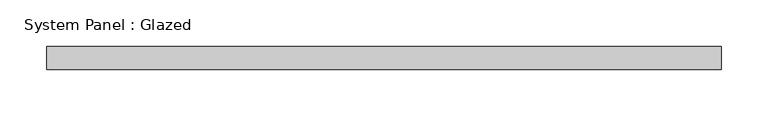
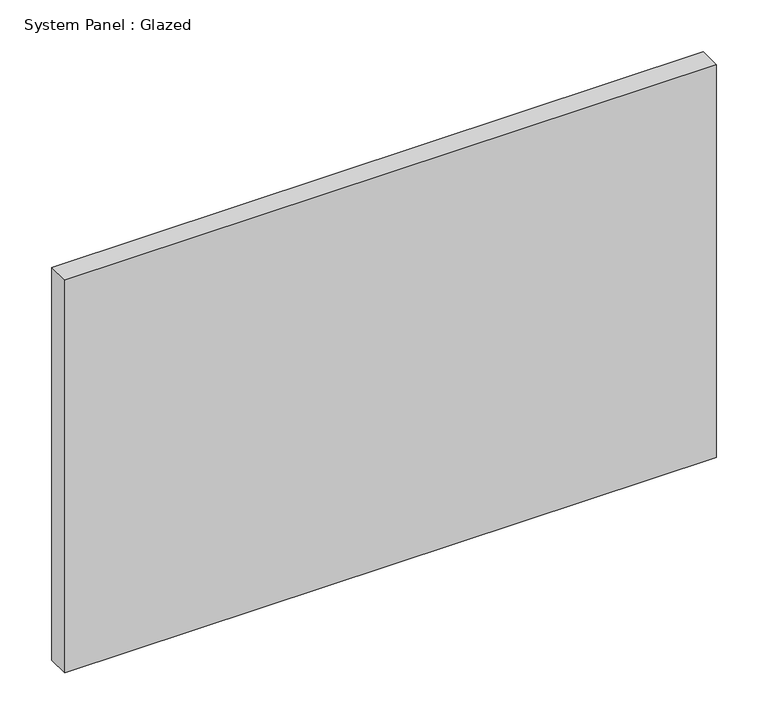
"""IFC4 building model written with IfcOpenShell, lengths in millimetres: plate geometry, System Panel : Glazed."""

from ifc_helpers import new_model, si_unit, origin, origin_with_axes, place, context, project, spatial, polyline, outline, extrude, source, transform, mapped, element, save


def system_panel_glazed_130b10a2(model_context):
    return source(origin(), model_context, "Body", "SweptSolid", [
        extrude(outline(polyline([(362.5, 24.5), (-362.5, 24.5), (-362.5, 49.5), (362.5, 49.5), (362.5, 24.5)])), origin_with_axes(), (0.0, 0.0, 1.0), 462.5333333),
    ])


if __name__ == "__main__":
    model = new_model("IFC4")
    model_context = context("Model", 3, world=origin())
    ifc_project = project(units=[si_unit("LENGTHUNIT", "METRE", prefix="MILLI")], contexts=[model_context])
    site = spatial("IfcSite", under=ifc_project)
    building = spatial("IfcBuilding", under=site)
    placement = place(None, origin())
    system_panel_glazed_shape = system_panel_glazed_130b10a2(model_context)
    element("IfcPlate", 1, ObjectType="System Panel : Glazed", at=placement, inside=building, context=model_context, shape_type="MappedRepresentation", body=[
        mapped(system_panel_glazed_shape, transform((0.0, 0.0, 0.0), x_axis=(1.0, 0.0, 0.0), y_axis=(0.0, 1.0, 0.0), z_axis=(0.0, 0.0, 1.0))),
    ])
    save(model, "model.ifc")
